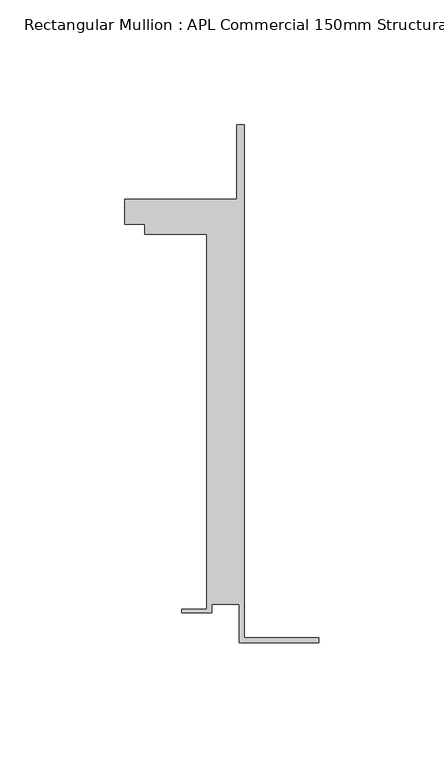
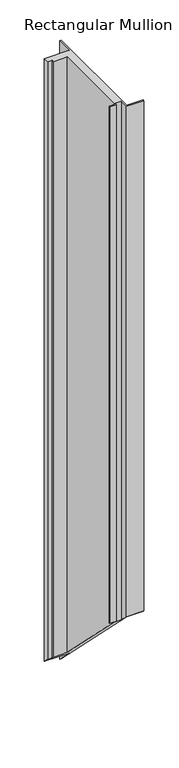
"""IFC4 building model written with IfcOpenShell, lengths in millimetres: member geometry, Rectangular Mullion : APL Commercial 150mm Structural Glaze SubSill."""

import ifcopenshell
import ifcopenshell.guid

model = None  # the IFC model being written
_history = None  # IfcOwnerHistory: only IFC2X3 demands one
_inside = {}  # id of a spatial element -> (the spatial element, [elements in it])
_under = {}  # id of a project, library or spatial element -> (it, [spatial elements below it])
_declared = {}  # id of a project -> (the project, [libraries it declares])
_typed = {}  # id of a type object -> (the type object, [elements of that type])
_made_of = {}  # id of a material, layer set ... -> (it, [elements and type objects made of it])


def new_model(schema):
    """Start an empty IFC model of exactly this schema.

    Asked for "IFC4X3", IfcOpenShell would pick the latest addendum, in which some entities
    have other attributes; the version numbers below select the first issue.
    IFC2X3 requires an IfcOwnerHistory on every rooted entity: one is made here for all.
    """
    global model, _history
    if schema == "IFC4X3":
        model = ifcopenshell.file(schema_version=(4, 3, 0, 0))
    else:
        model = ifcopenshell.file(schema=schema)
    _inside.clear()
    _under.clear()
    _declared.clear()
    _typed.clear()
    _made_of.clear()
    _history = None
    if model.schema == "IFC2X3":
        org = make("IfcOrganization", Name="unknown")
        user = make(
            "IfcPersonAndOrganization",
            ThePerson=make("IfcPerson", FamilyName="unknown"),
            TheOrganization=org,
        )
        app = make(
            "IfcApplication",
            ApplicationDeveloper=org,
            Version="unknown",
            ApplicationFullName="unknown",
            ApplicationIdentifier="unknown",
        )
        _history = make(
            "IfcOwnerHistory",
            OwningUser=user,
            OwningApplication=app,
            ChangeAction="ADDED",
            CreationDate=0,
        )
    return model


def make(cls, **values):
    """One entity of the class cls with the attributes given. An attribute that is None is left unset."""
    return model.create_entity(
        cls, **{name: value for name, value in values.items() if value is not None}
    )


def rooted(cls, **values):
    """An entity with a GlobalId (a new one), such as an element, a storey or a relation."""
    return make(cls, GlobalId=ifcopenshell.guid.new(), OwnerHistory=_history, **values)


def si_unit(unit_type, name, prefix=None):
    """IfcSIUnit, for example si_unit("LENGTHUNIT", "METRE", prefix="MILLI")."""
    return make("IfcSIUnit", UnitType=unit_type, Prefix=prefix, Name=name)


def assignment(units):
    """IfcUnitAssignment: the units of a project."""
    return None if units is None else make("IfcUnitAssignment", Units=units)


def point(xyz):
    """IfcCartesianPoint."""
    return None if xyz is None else make("IfcCartesianPoint", Coordinates=xyz)


def direction(xyz):
    """IfcDirection."""
    return None if xyz is None else make("IfcDirection", DirectionRatios=xyz)


def frame(location, z_axis=None, x_axis=None):
    """IfcAxis2Placement3D, a coordinate frame: its origin and axes. An axis left out is left unset."""
    return make(
        "IfcAxis2Placement3D",
        Location=point(location),
        Axis=direction(z_axis),
        RefDirection=direction(x_axis),
    )


def origin():
    """The frame at (0, 0, 0) with its axes left unset."""
    return frame((0.0, 0.0, 0.0))


def place(relative_to, where):
    """IfcLocalPlacement: puts the frame where relative to a parent placement (None: the world)."""
    return make(
        "IfcLocalPlacement", PlacementRelTo=relative_to, RelativePlacement=where
    )


def context(
    kind, dimensions, precision=None, world=None, true_north=None, identifier=None
):
    """IfcGeometricRepresentationContext, for example the 3D "Model" context."""
    return make(
        "IfcGeometricRepresentationContext",
        ContextIdentifier=identifier,
        ContextType=kind,
        CoordinateSpaceDimension=dimensions,
        Precision=precision,
        WorldCoordinateSystem=world,
        TrueNorth=true_north,
    )


def project(units=None, contexts=None):
    """IfcProject with its units and contexts."""
    return rooted(
        "IfcProject",
        Name="project",
        RepresentationContexts=contexts,
        UnitsInContext=assignment(units),
    )


def spatial(cls, under=None, at=None, **own):
    """A site, building, storey or space (cls), placed at a placement, below another one or the project."""
    s = rooted(cls, ObjectPlacement=at, **own)
    if under is not None:
        _under.setdefault(under.id(), (under, []))[1].append(s)
    return s


def faces_of(points, faces, orient=None, outer=None):
    """IfcFace entities. A face is a list of loops; a loop is a list of indices into points, from 0.

    orient and outer hold one flag for each loop. By default every Orientation is true, the
    first loop of a face is its IfcFaceOuterBound and the others are IfcFaceBound.
    """
    made = []
    for i, loops in enumerate(faces):
        bounds = []
        for j, loop in enumerate(loops):
            is_outer = j == 0 if outer is None else outer[i][j]
            bounds.append(
                make(
                    "IfcFaceOuterBound" if is_outer else "IfcFaceBound",
                    Bound=make("IfcPolyLoop", Polygon=[points[k] for k in loop]),
                    Orientation=True if orient is None else orient[i][j],
                )
            )
        made.append(make("IfcFace", Bounds=bounds))
    return made


def faceted_brep(points, faces, orient=None, outer=None, voids=None):
    """IfcFacetedBrep: a solid bounded by flat faces; with voids (closed shells), ...WithVoids."""
    shared = [point(p) for p in points]
    hull = make("IfcClosedShell", CfsFaces=faces_of(shared, faces, orient, outer))
    if voids is None:
        return make("IfcFacetedBrep", Outer=hull)
    return make(
        "IfcFacetedBrepWithVoids",
        Outer=hull,
        Voids=[
            make(cls, CfsFaces=faces_of(shared, fs, o, b)) for cls, fs, o, b in voids
        ],
    )


def shape(context_of_items, identifier, shape_type, items):
    """IfcShapeRepresentation: the items that make up one representation, for example the "Body"."""
    return make(
        "IfcShapeRepresentation",
        ContextOfItems=context_of_items,
        RepresentationIdentifier=identifier,
        RepresentationType=shape_type,
        Items=items,
    )


def source(mapping_origin, context_of_items, identifier, shape_type, items):
    """IfcRepresentationMap: a shape defined once, which mapped items show again and again."""
    return make(
        "IfcRepresentationMap",
        MappingOrigin=mapping_origin,
        MappedRepresentation=shape(context_of_items, identifier, shape_type, items),
    )


def transform(
    local_origin,
    x_axis=None,
    y_axis=None,
    z_axis=None,
    scale=None,
    scale2=None,
    scale3=None,
    uniform=True,
):
    """IfcCartesianTransformationOperator3D, or its non-uniform kind. x_axis, y_axis, z_axis: its Axis1, 2, 3."""
    if uniform:
        return make(
            "IfcCartesianTransformationOperator3D",
            Axis1=direction(x_axis),
            Axis2=direction(y_axis),
            LocalOrigin=point(local_origin),
            Scale=scale,
            Axis3=direction(z_axis),
        )
    return make(
        "IfcCartesianTransformationOperator3DnonUniform",
        Axis1=direction(x_axis),
        Axis2=direction(y_axis),
        LocalOrigin=point(local_origin),
        Scale=scale,
        Axis3=direction(z_axis),
        Scale2=scale2,
        Scale3=scale3,
    )


def mapped(mapping_source, mapping_target):
    """IfcMappedItem: shows the shape of a source again, moved by a transform."""
    return make(
        "IfcMappedItem", MappingSource=mapping_source, MappingTarget=mapping_target
    )


def made_of(thing, what):
    """Note that an element or type object is made of a material, layer set ...; save() writes the relation."""
    if what is not None:
        _made_of.setdefault(what.id(), (what, []))[1].append(thing)
    return thing


def element(
    cls,
    number,
    at=None,
    inside=None,
    cuts=None,
    type_object=None,
    material=None,
    context=None,
    identifier="Body",
    shape_type=None,
    held_by="IfcProductDefinitionShape",
    body=None,
    shapes=None,
    **own,
):
    """One element of the class cls, such as IfcWall. Its Tag is "e" and its number.

    at: its placement. inside: the storey or other place that contains it. cuts: it is an
    opening in that element (IfcRelVoidsElement). A single representation is given by context,
    identifier, shape_type and body (its items); several are given by shapes. held_by: the class
    of the entity that holds the representations. save() writes the other relations.
    """
    e = rooted(cls, Tag="e%d" % number, ObjectPlacement=at, **own)
    if body is not None:
        shapes = [shape(context, identifier, shape_type, body)]
    if shapes is not None:
        e.Representation = make(held_by, Representations=shapes)
    if inside is not None:
        _inside.setdefault(inside.id(), (inside, []))[1].append(e)
    if cuts is not None:
        rooted(
            "IfcRelVoidsElement", RelatingBuildingElement=cuts, RelatedOpeningElement=e
        )
    if type_object is not None:
        _typed.setdefault(type_object.id(), (type_object, []))[1].append(e)
    return made_of(e, material)


def aggregate(whole, parts):
    """IfcRelAggregates: a whole, such as a stair, and the parts it consists of."""
    return rooted("IfcRelAggregates", RelatingObject=whole, RelatedObjects=parts)


def save(model, path):
    """Write the relations noted so far, then the file.

    IfcRelAggregates (storeys below a building ...), IfcRelContainedInSpatialStructure (elements
    in a storey), IfcRelDefinesByType, IfcRelAssociatesMaterial and IfcRelDeclares: one each for
    every whole, place, type object, material and project.
    """
    for whole, parts in _under.values():
        aggregate(whole, parts)
    for where, things in _inside.values():
        rooted(
            "IfcRelContainedInSpatialStructure",
            RelatedElements=things,
            RelatingStructure=where,
        )
    for kind, things in _typed.values():
        rooted("IfcRelDefinesByType", RelatedObjects=things, RelatingType=kind)
    for what, things in _made_of.values():
        rooted("IfcRelAssociatesMaterial", RelatedObjects=things, RelatingMaterial=what)
    for by, libraries in _declared.values():
        rooted("IfcRelDeclares", RelatingContext=by, RelatedDefinitions=libraries)
    model.write(path)


def rectangular_mullion_apl_commercial_150mm_structural_glaze_961d2d05(model_context):
    return source(origin(), model_context, "Body", "Brep", [
        faceted_brep([(-32.0, -41.25, 0.0), (0.0, -41.25, 0.0), (0.0, -39.25, 0.0), (-30.0, -39.25, 0.0), (-30.0, 166.75, 0.0), (-33.0000284, 166.75, 0.0), (-33.0000284, 136.75, 0.0), (-78.0000284, 136.75, 0.0), (-78.0000284, 126.75, 0.0), (-70.0000284, 126.75, 0.0), (-70.0000284, 122.75, 0.0), (-45.0, 122.75, 0.0), (-45.0, -27.75, 0.0), (-55.0, -27.75, 0.0), (-55.0, -29.25, 0.0), (-43.0, -29.25, 0.0), (-43.0, -25.75, 0.0), (-32.0, -25.75, 0.0), (-32.0, -41.25, -981.1349219), (0.0, -41.25, -981.1349219), (0.0, -39.25, -983.1349219), (-30.0, -39.25, -983.1349219), (-30.0, 166.75, -1189.1349219), (-33.0000284, 166.75, -1189.1349219), (-33.0000284, 136.75, -1159.1349219), (-78.0000284, 136.75, -1159.1349219), (-78.0000284, 126.75, -1149.1349219), (-70.0000284, 126.75, -1149.1349219), (-70.0000284, 122.75, -1145.1349219), (-45.0, 122.75, -1145.1349219), (-45.0, -27.75, -994.6349219), (-55.0, -27.75, -994.6349219), (-55.0, -29.25, -993.1349219), (-43.0, -29.25, -993.1349219), (-43.0, -25.75, -996.6349219), (-32.0, -25.75, -996.6349219)], [[[0, 1, 2, 3, 4, 5, 6, 7, 8, 9, 10, 11, 12, 13, 14, 15, 16, 17]], [[1, 0, 18, 19]], [[2, 1, 19, 20]], [[3, 2, 20, 21]], [[4, 3, 21, 22]], [[5, 4, 22, 23]], [[6, 5, 23, 24]], [[7, 6, 24, 25]], [[8, 7, 25, 26]], [[9, 8, 26, 27]], [[10, 9, 27, 28]], [[11, 10, 28, 29]], [[12, 11, 29, 30]], [[13, 12, 30, 31]], [[14, 13, 31, 32]], [[15, 14, 32, 33]], [[16, 15, 33, 34]], [[17, 16, 34, 35]], [[0, 17, 35, 18]], [[18, 35, 34, 33, 32, 31, 30, 29, 28, 27, 26, 25, 24, 23, 22, 21, 20, 19]]]),
    ])


if __name__ == "__main__":
    model = new_model("IFC4")
    model_context = context("Model", 3, world=origin())
    ifc_project = project(units=[si_unit("LENGTHUNIT", "METRE", prefix="MILLI")], contexts=[model_context])
    site = spatial("IfcSite", under=ifc_project)
    building = spatial("IfcBuilding", under=site)
    placement = place(None, origin())
    rectangular_mullion_apl_commercial_150mm_structural_glaze_shape = rectangular_mullion_apl_commercial_150mm_structural_glaze_961d2d05(model_context)
    element("IfcMember", 1, ObjectType="Rectangular Mullion : APL Commercial 150mm Structural Glaze SubSill", at=placement, inside=building, context=model_context, shape_type="MappedRepresentation", body=[
        mapped(rectangular_mullion_apl_commercial_150mm_structural_glaze_shape, transform((0.0, 0.0, 0.0), x_axis=(1.0, 0.0, 0.0), y_axis=(0.0, 1.0, 0.0), z_axis=(0.0, 0.0, 1.0))),
    ])
    save(model, "model.ifc")
